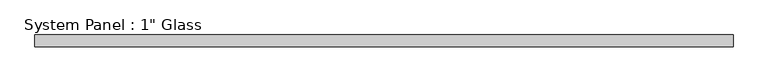
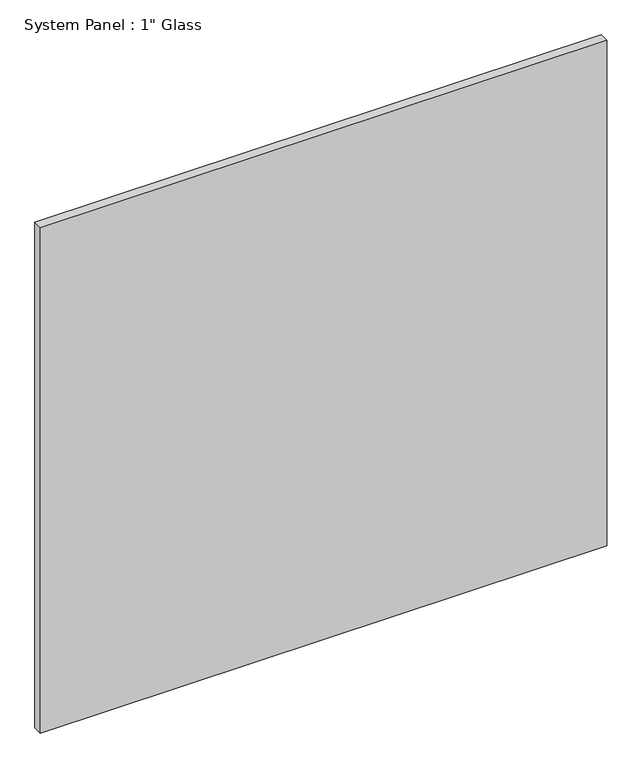
"""IFC4 building model written with IfcOpenShell, lengths in millimetres: plate geometry."""

from ifc_helpers import new_model, si_unit, origin, origin_with_axes, place, context, project, spatial, polyline, outline, extrude, source, transform, mapped, element, save


def plate_0884793f(model_context):
    return source(origin(), model_context, "Body", "SweptSolid", [
        extrude(outline(polyline([(755.65, -12.7), (-755.65, -12.7), (-755.65, 12.7), (755.65, 12.7), (755.65, -12.7)])), origin_with_axes(), (0.0, 0.0, 1.0), 1424.9417704),
    ])


if __name__ == "__main__":
    model = new_model("IFC4")
    model_context = context("Model", 3, world=origin())
    ifc_project = project(units=[si_unit("LENGTHUNIT", "METRE", prefix="MILLI")], contexts=[model_context])
    site = spatial("IfcSite", under=ifc_project)
    building = spatial("IfcBuilding", under=site)
    placement = place(None, origin())
    plate_shape = plate_0884793f(model_context)
    element("IfcPlate", 1, ObjectType="System Panel : 1\" Glass", at=placement, inside=building, context=model_context, shape_type="MappedRepresentation", body=[
        mapped(plate_shape, transform((0.0, 0.0, 0.0), x_axis=(1.0, 0.0, 0.0), y_axis=(0.0, 1.0, 0.0), z_axis=(0.0, 0.0, 1.0))),
    ])
    save(model, "model.ifc")
